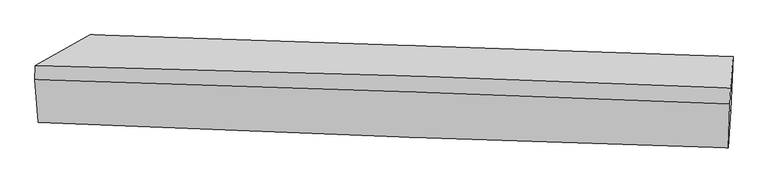
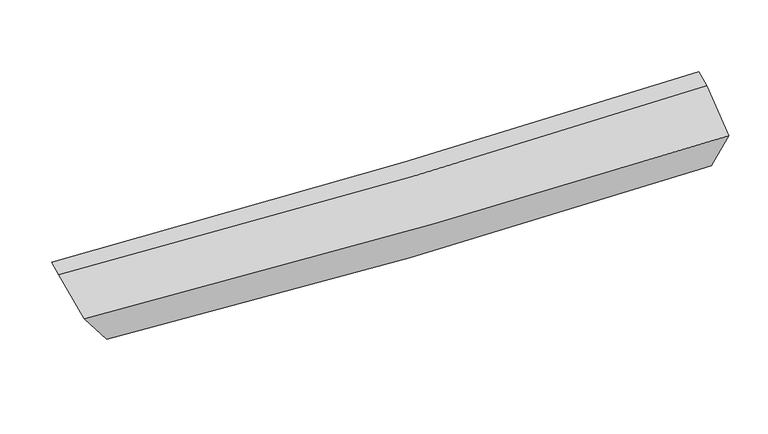
"""IFC4 building model written with IfcOpenShell, lengths in millimetres: proxy geometry."""

import ifcopenshell
import ifcopenshell.guid

model = None  # the IFC model being written
_history = None  # IfcOwnerHistory: only IFC2X3 demands one
_inside = {}  # id of a spatial element -> (the spatial element, [elements in it])
_under = {}  # id of a project, library or spatial element -> (it, [spatial elements below it])
_declared = {}  # id of a project -> (the project, [libraries it declares])
_typed = {}  # id of a type object -> (the type object, [elements of that type])
_made_of = {}  # id of a material, layer set ... -> (it, [elements and type objects made of it])


def new_model(schema):
    """Start an empty IFC model of exactly this schema.

    Asked for "IFC4X3", IfcOpenShell would pick the latest addendum, in which some entities
    have other attributes; the version numbers below select the first issue.
    IFC2X3 requires an IfcOwnerHistory on every rooted entity: one is made here for all.
    """
    global model, _history
    if schema == "IFC4X3":
        model = ifcopenshell.file(schema_version=(4, 3, 0, 0))
    else:
        model = ifcopenshell.file(schema=schema)
    _inside.clear()
    _under.clear()
    _declared.clear()
    _typed.clear()
    _made_of.clear()
    _history = None
    if model.schema == "IFC2X3":
        org = make("IfcOrganization", Name="unknown")
        user = make(
            "IfcPersonAndOrganization",
            ThePerson=make("IfcPerson", FamilyName="unknown"),
            TheOrganization=org,
        )
        app = make(
            "IfcApplication",
            ApplicationDeveloper=org,
            Version="unknown",
            ApplicationFullName="unknown",
            ApplicationIdentifier="unknown",
        )
        _history = make(
            "IfcOwnerHistory",
            OwningUser=user,
            OwningApplication=app,
            ChangeAction="ADDED",
            CreationDate=0,
        )
    return model


def make(cls, **values):
    """One entity of the class cls with the attributes given. An attribute that is None is left unset."""
    return model.create_entity(
        cls, **{name: value for name, value in values.items() if value is not None}
    )


def rooted(cls, **values):
    """An entity with a GlobalId (a new one), such as an element, a storey or a relation."""
    return make(cls, GlobalId=ifcopenshell.guid.new(), OwnerHistory=_history, **values)


def si_unit(unit_type, name, prefix=None):
    """IfcSIUnit, for example si_unit("LENGTHUNIT", "METRE", prefix="MILLI")."""
    return make("IfcSIUnit", UnitType=unit_type, Prefix=prefix, Name=name)


def assignment(units):
    """IfcUnitAssignment: the units of a project."""
    return None if units is None else make("IfcUnitAssignment", Units=units)


def point(xyz):
    """IfcCartesianPoint."""
    return None if xyz is None else make("IfcCartesianPoint", Coordinates=xyz)


def direction(xyz):
    """IfcDirection."""
    return None if xyz is None else make("IfcDirection", DirectionRatios=xyz)


def frame(location, z_axis=None, x_axis=None):
    """IfcAxis2Placement3D, a coordinate frame: its origin and axes. An axis left out is left unset."""
    return make(
        "IfcAxis2Placement3D",
        Location=point(location),
        Axis=direction(z_axis),
        RefDirection=direction(x_axis),
    )


def origin():
    """The frame at (0, 0, 0) with its axes left unset."""
    return frame((0.0, 0.0, 0.0))


def place(relative_to, where):
    """IfcLocalPlacement: puts the frame where relative to a parent placement (None: the world)."""
    return make(
        "IfcLocalPlacement", PlacementRelTo=relative_to, RelativePlacement=where
    )


def context(
    kind, dimensions, precision=None, world=None, true_north=None, identifier=None
):
    """IfcGeometricRepresentationContext, for example the 3D "Model" context."""
    return make(
        "IfcGeometricRepresentationContext",
        ContextIdentifier=identifier,
        ContextType=kind,
        CoordinateSpaceDimension=dimensions,
        Precision=precision,
        WorldCoordinateSystem=world,
        TrueNorth=true_north,
    )


def project(units=None, contexts=None):
    """IfcProject with its units and contexts."""
    return rooted(
        "IfcProject",
        Name="project",
        RepresentationContexts=contexts,
        UnitsInContext=assignment(units),
    )


def spatial(cls, under=None, at=None, **own):
    """A site, building, storey or space (cls), placed at a placement, below another one or the project."""
    s = rooted(cls, ObjectPlacement=at, **own)
    if under is not None:
        _under.setdefault(under.id(), (under, []))[1].append(s)
    return s


def shape(context_of_items, identifier, shape_type, items):
    """IfcShapeRepresentation: the items that make up one representation, for example the "Body"."""
    return make(
        "IfcShapeRepresentation",
        ContextOfItems=context_of_items,
        RepresentationIdentifier=identifier,
        RepresentationType=shape_type,
        Items=items,
    )


def source(mapping_origin, context_of_items, identifier, shape_type, items):
    """IfcRepresentationMap: a shape defined once, which mapped items show again and again."""
    return make(
        "IfcRepresentationMap",
        MappingOrigin=mapping_origin,
        MappedRepresentation=shape(context_of_items, identifier, shape_type, items),
    )


def transform(
    local_origin,
    x_axis=None,
    y_axis=None,
    z_axis=None,
    scale=None,
    scale2=None,
    scale3=None,
    uniform=True,
):
    """IfcCartesianTransformationOperator3D, or its non-uniform kind. x_axis, y_axis, z_axis: its Axis1, 2, 3."""
    if uniform:
        return make(
            "IfcCartesianTransformationOperator3D",
            Axis1=direction(x_axis),
            Axis2=direction(y_axis),
            LocalOrigin=point(local_origin),
            Scale=scale,
            Axis3=direction(z_axis),
        )
    return make(
        "IfcCartesianTransformationOperator3DnonUniform",
        Axis1=direction(x_axis),
        Axis2=direction(y_axis),
        LocalOrigin=point(local_origin),
        Scale=scale,
        Axis3=direction(z_axis),
        Scale2=scale2,
        Scale3=scale3,
    )


def mapped(mapping_source, mapping_target):
    """IfcMappedItem: shows the shape of a source again, moved by a transform."""
    return make(
        "IfcMappedItem", MappingSource=mapping_source, MappingTarget=mapping_target
    )


def made_of(thing, what):
    """Note that an element or type object is made of a material, layer set ...; save() writes the relation."""
    if what is not None:
        _made_of.setdefault(what.id(), (what, []))[1].append(thing)
    return thing


def element(
    cls,
    number,
    at=None,
    inside=None,
    cuts=None,
    type_object=None,
    material=None,
    context=None,
    identifier="Body",
    shape_type=None,
    held_by="IfcProductDefinitionShape",
    body=None,
    shapes=None,
    **own,
):
    """One element of the class cls, such as IfcWall. Its Tag is "e" and its number.

    at: its placement. inside: the storey or other place that contains it. cuts: it is an
    opening in that element (IfcRelVoidsElement). A single representation is given by context,
    identifier, shape_type and body (its items); several are given by shapes. held_by: the class
    of the entity that holds the representations. save() writes the other relations.
    """
    e = rooted(cls, Tag="e%d" % number, ObjectPlacement=at, **own)
    if body is not None:
        shapes = [shape(context, identifier, shape_type, body)]
    if shapes is not None:
        e.Representation = make(held_by, Representations=shapes)
    if inside is not None:
        _inside.setdefault(inside.id(), (inside, []))[1].append(e)
    if cuts is not None:
        rooted(
            "IfcRelVoidsElement", RelatingBuildingElement=cuts, RelatedOpeningElement=e
        )
    if type_object is not None:
        _typed.setdefault(type_object.id(), (type_object, []))[1].append(e)
    return made_of(e, material)


def aggregate(whole, parts):
    """IfcRelAggregates: a whole, such as a stair, and the parts it consists of."""
    return rooted("IfcRelAggregates", RelatingObject=whole, RelatedObjects=parts)


def save(model, path):
    """Write the relations noted so far, then the file.

    IfcRelAggregates (storeys below a building ...), IfcRelContainedInSpatialStructure (elements
    in a storey), IfcRelDefinesByType, IfcRelAssociatesMaterial and IfcRelDeclares: one each for
    every whole, place, type object, material and project.
    """
    for whole, parts in _under.values():
        aggregate(whole, parts)
    for where, things in _inside.values():
        rooted(
            "IfcRelContainedInSpatialStructure",
            RelatedElements=things,
            RelatingStructure=where,
        )
    for kind, things in _typed.values():
        rooted("IfcRelDefinesByType", RelatedObjects=things, RelatingType=kind)
    for what, things in _made_of.values():
        rooted("IfcRelAssociatesMaterial", RelatedObjects=things, RelatingMaterial=what)
    for by, libraries in _declared.values():
        rooted("IfcRelDeclares", RelatingContext=by, RelatedDefinitions=libraries)
    model.write(path)


def plane_surface(at):
    """IfcPlane: the flat surface through the origin of the frame at, square to its z axis."""
    return make("IfcPlane", Position=at)


def spline_curve(degree, points, multiplicities, knots, weights=None):
    """IfcBSplineCurveWithKnots; with weights, IfcRationalBSplineCurveWithKnots."""
    own = dict(
        Degree=degree,
        ControlPointsList=[point(p) for p in points],
        CurveForm="UNSPECIFIED",
        ClosedCurve=False,
        SelfIntersect=False,
        KnotMultiplicities=multiplicities,
        Knots=knots,
        KnotSpec="UNSPECIFIED",
    )
    if weights is None:
        return make("IfcBSplineCurveWithKnots", **own)
    return make("IfcRationalBSplineCurveWithKnots", WeightsData=weights, **own)


def spline_surface(u_degree, v_degree, points, u_multiplicities, v_multiplicities, u_knots, v_knots, weights=None):
    """IfcBSplineSurfaceWithKnots; with weights, IfcRationalBSplineSurfaceWithKnots. points: one row for each step in u."""
    own = dict(
        UDegree=u_degree,
        VDegree=v_degree,
        ControlPointsList=[[point(p) for p in row] for row in points],
        SurfaceForm="UNSPECIFIED",
        UClosed=False,
        VClosed=False,
        SelfIntersect=False,
        UMultiplicities=u_multiplicities,
        VMultiplicities=v_multiplicities,
        UKnots=u_knots,
        VKnots=v_knots,
        KnotSpec="UNSPECIFIED",
    )
    if weights is None:
        return make("IfcBSplineSurfaceWithKnots", **own)
    return make("IfcRationalBSplineSurfaceWithKnots", WeightsData=weights, **own)


def advanced_brep(points, edges, surfaces, faces):
    """IfcAdvancedBrep: a solid bounded by faces that lie on surfaces and meet in shared edges.

    An edge is (start, end): straight between two places in points (the first is 0);
    or (start, end, curve); or (start, end, curve, False) where it runs against its curve.
    A face is (place in surfaces, loops), or (place, loops, False) where it looks against
    its surface's normal. A loop lists edges by number (the first is 1), with a minus sign
    where the edge is run from its end to its start. The first loop is the outer one.
    """
    corners = [point(p) for p in points]
    vertices = [make("IfcVertexPoint", VertexGeometry=c) for c in corners]
    made = []
    for start, end, *more in edges:
        made.append(
            make(
                "IfcEdgeCurve",
                EdgeStart=vertices[start],
                EdgeEnd=vertices[end],
                EdgeGeometry=more[0] if more else make("IfcPolyline", Points=[corners[start], corners[end]]),
                SameSense=more[1] if len(more) > 1 else True,
            )
        )
    hull = []
    for where, loops, *sense in faces:
        bounds = []
        for j, loop in enumerate(loops):
            ring = [make("IfcOrientedEdge", EdgeElement=made[abs(k) - 1], Orientation=k > 0) for k in loop]
            bounds.append(
                make(
                    "IfcFaceOuterBound" if j == 0 else "IfcFaceBound",
                    Bound=make("IfcEdgeLoop", EdgeList=ring),
                    Orientation=True,
                )
            )
        hull.append(make("IfcAdvancedFace", Bounds=bounds, FaceSurface=surfaces[where], SameSense=sense[0] if sense else True))
    return make("IfcAdvancedBrep", Outer=make("IfcClosedShell", CfsFaces=hull))


def generic_models_f0dd5eea(model_context):
    return source(origin(), model_context, "Body", "AdvancedBrep", [
        advanced_brep(
        [(-2607.7585672, -1969.9333759, 3475.3136277), (-2580.8041618, -2329.3116171, 3260.2159681), (3166.8400756, -2542.9510496, 3138.0148432), (3179.3136658, -2174.1054466, 3390.9891971), (-2178.0958322, -1986.9697268, 2714.1133848), (3187.8206123, -2229.3150078, 2650.5804882), (-2146.1355577, -1597.3756863, 2840.0394315), (3205.4241805, -1780.2058212, 2795.0140918), (-2603.3134898, -1853.0609952, 3522.1049425), (3184.4302672, -2039.5769915, 3444.8493414)],
        [
            (0, 1),
            (1, 2, spline_curve(3, [(-2580.8041618, -2329.3116171, 3260.2159681), (-1514.752276646, -2374.699013029, 3214.035449074), (-478.119182948, -2415.954380873, 3180.88013095), (1431.983533261, -2486.355876195, 3142.704946828), (2311.231851883, -2516.313652323, 3135.126556574), (3166.8400756, -2542.9510496, 3138.0148432)], [4, 2, 4], [0.0, 9.986809261356214, 18.939198391063325])),
            (2, 3),
            (3, 0, spline_curve(3, [(3179.3136658, -2174.1054466, 3390.9891971), (2332.375252631, -2140.946887068, 3371.698895772), (1454.762047633, -2108.25556286, 3367.807340695), (-466.763739395, -2040.083992745, 3392.151341867), (-1518.174611917, -2004.717960194, 3424.151040736), (-2607.7585672, -1969.9333759, 3475.3136277)], [4, 2, 4], [0.0, 8.952389129707111, 18.939198391063325])),
            (1, 4),
            (4, 5, spline_curve(3, [(-2178.0958322, -1986.9697268, 2714.1133848), (-1333.233935366, -2021.955779766, 2663.493185797), (-436.53577365, -2060.955125292, 2633.676930434), (1362.285174082, -2142.525211853, 2616.585790916), (2254.225826994, -2184.307626339, 2625.22441389), (3187.8206123, -2229.3150078, 2650.5804882)], [4, 2, 4], [0.0, 9.62426841620798, 18.25166818882997])),
            (5, 2),
            (4, 6),
            (6, 7, spline_curve(3, [(-2146.1355577, -1597.3756863, 2840.0394315), (-1309.481875624, -1625.53587505, 2822.441492745), (-417.994313324, -1655.792539409, 2809.949935472), (1376.629882907, -1717.147726066, 2795.944528692), (2268.995566839, -1747.834439705, 2793.427639689), (3205.4241805, -1780.2058212, 2795.0140918)], [4, 2, 4], [0.0, 9.279335197297264, 17.597529465073976])),
            (7, 5),
            (6, 8),
            (8, 9, spline_curve(3, [(-2603.3134898, -1853.0609952, 3522.1049425), (-1513.387659574, -1878.85681921, 3474.54111787), (-461.752945695, -1908.337493679, 3444.897695632), (1459.973497505, -1971.233302951, 3422.66591081), (2337.58670233, -2003.924627494, 3426.557465973), (3184.4302672, -2039.5769915, 3444.8493414)], [4, 2, 4], [0.0, 9.642200866285698, 18.28567567017578])),
            (9, 7),
            (8, 0),
            (3, 9),
        ],
        [
            spline_surface(3, 3, [[(-2607.7585672, -1969.9333759, 3475.3136277), (-1518.174611985, -2004.717960272, 3424.151040701), (-466.76373931, -2040.083992798, 3392.15134198), (1454.762047557, -2108.255562812, 3367.807340595), (2332.375252582, -2140.946887207, 3371.698895772), (3179.3136658, -2174.1054466, 3390.9891971)], [(-2598.773765428, -2089.726122953, 3403.614407829), (-1517.033833567, -2128.044977822, 3354.112510197), (-470.548887187, -2165.37412218, 3321.727605004), (1447.169209436, -2234.289000555, 3292.77320927), (2325.327452361, -2266.069142205, 3292.841449326), (3175.155802389, -2297.053980918, 3306.66441245)], [(-2589.788963572, -2209.518870047, 3331.915187971), (-1515.893055065, -2251.371995411, 3284.073979706), (-474.334035032, -2290.664251611, 3251.30386809), (1439.576371347, -2360.322438345, 3217.739078006), (2318.279652173, -2391.19139725, 3213.984002929), (3170.997939011, -2420.002515282, 3222.33962785)], [(-2580.8041618, -2329.3116171, 3260.2159681), (-1514.752276647, -2374.699012961, 3214.035449202), (-478.119182908, -2415.954380993, 3180.880131115), (1431.983533225, -2486.355876088, 3142.704946681), (2311.231851952, -2516.313652248, 3135.126556483), (3166.8400756, -2542.9510496, 3138.0148432)]], [4, 4], [4, 2, 4], [0.0, 1.4284412901744237], [0.0, 9.986809261356214, 18.939198391063325]),
            spline_surface(3, 3, [[(-2580.8041618, -2329.3116171, 3260.2159681), (-1514.752276647, -2374.699012961, 3214.035449202), (-478.119182908, -2415.954380993, 3180.880131115), (1431.983533225, -2486.355876088, 3142.704946681), (2311.231851952, -2516.313652248, 3135.126556483), (3166.8400756, -2542.9510496, 3138.0148432)], [(-2446.568051935, -2215.197653676, 3078.181773681), (-1454.246162908, -2257.117935211, 3030.521361362), (-464.25804643, -2297.621295816, 2998.47906424), (1408.750746816, -2371.745654684, 2967.331894763), (2292.229843594, -2405.644976996, 2965.159175632), (3173.833587834, -2438.405702353, 2975.536724878)], [(-2312.331942065, -2101.083690224, 2896.147579219), (-1393.740049163, -2139.536857433, 2847.007273478), (-450.396909991, -2179.288210547, 2816.077997333), (1385.517960369, -2257.135433187, 2791.958842812), (2273.227835235, -2294.976301684, 2795.191794748), (3180.827100066, -2333.860355047, 2813.058606522)], [(-2178.0958322, -1986.9697268, 2714.1133848), (-1333.233935423, -2021.955779682, 2663.493185638), (-436.535773513, -2060.95512537, 2633.676930458), (1362.28517396, -2142.525211783, 2616.585790895), (2254.225826877, -2184.307626432, 2625.224413897), (3187.8206123, -2229.3150078, 2650.5804882)]], [4, 4], [4, 2, 4], [0.0, 2.1051145406914227], [0.0, 9.62426841620798, 18.25166818882997]),
            spline_surface(3, 3, [[(-2178.0958322, -1986.9697268, 2714.1133848), (-1333.233935423, -2021.955779682, 2663.493185638), (-436.535773513, -2060.95512537, 2633.676930458), (1362.28517396, -2142.525211783, 2616.585790895), (2254.225826877, -2184.307626432, 2625.224413897), (3187.8206123, -2229.3150078, 2650.5804882)], [(-2167.442407356, -1857.105046641, 2756.088733698), (-1325.316582197, -1889.815811462, 2716.475954721), (-430.355286836, -1925.900930091, 2692.434598751), (1367.066743652, -2000.732716502, 2676.372036861), (2259.149073532, -2038.816564195, 2681.292155867), (3193.688468388, -2079.611945597, 2698.72502274)], [(-2156.788982544, -1727.240366459, 2798.064082602), (-1317.399229004, -1757.675843219, 2769.458723807), (-424.174800152, -1790.846734819, 2751.192267053), (1371.84831335, -1858.940221229, 2736.158282838), (2264.072320123, -1893.325501968, 2737.359897818), (3199.556324412, -1929.908883403, 2746.86955726)], [(-2146.1355577, -1597.3756863, 2840.0394315), (-1309.481875778, -1625.535874998, 2822.441492889), (-417.994313475, -1655.792539539, 2809.949935346), (1376.629883042, -1717.147725948, 2795.944528805), (2268.995566779, -1747.834439731, 2793.427639788), (3205.4241805, -1780.2058212, 2795.0140918)]], [4, 4], [4, 2, 4], [0.0, 1.4794321233551473], [0.0, 9.279335197297264, 17.597529465073976]),
            spline_surface(3, 3, [[(-2146.1355577, -1597.3756863, 2840.0394315), (-1309.481875778, -1625.535874998, 2822.441492889), (-417.994313475, -1655.792539539, 2809.949935346), (1376.629883042, -1717.147725948, 2795.944528805), (2268.995566779, -1747.834439731, 2793.427639788), (3205.4241805, -1780.2058212, 2795.0140918)], [(-2298.528201727, -1682.604122571, 3067.394601829), (-1377.450470404, -1709.976189736, 3039.808034504), (-432.58052421, -1739.974190889, 3021.599188757), (1404.411087814, -1801.842918258, 3004.85165613), (2291.859278636, -1833.197835589, 3004.470915164), (3198.426209399, -1866.66287795, 3011.625841673)], [(-2450.920845773, -1767.832558929, 3294.749772171), (-1445.419065048, -1794.416504562, 3257.174576133), (-447.166734875, -1824.155842321, 3233.248442209), (1432.192292657, -1886.538110649, 3213.758783495), (2314.722990497, -1918.561231496, 3215.514190522), (3191.428238301, -1953.11993475, 3228.237591527)], [(-2603.3134898, -1853.0609952, 3522.1049425), (-1513.387659674, -1878.8568193, 3474.541117747), (-461.75294561, -1908.33749367, 3444.897695621), (1459.973497429, -1971.233302959, 3422.665910821), (2337.586702354, -2003.924627354, 3426.557465898), (3184.4302672, -2039.5769915, 3444.8493414)]], [4, 4], [4, 2, 4], [0.0, 2.232245553538698], [0.0, 9.642200866285698, 18.28567567017578]),
            spline_surface(3, 3, [[(-2603.3134898, -1853.0609952, 3522.1049425), (-1513.387659674, -1878.8568193, 3474.541117747), (-461.75294561, -1908.33749367, 3444.897695621), (1459.973497429, -1971.233302959, 3422.665910821), (2337.586702354, -2003.924627354, 3426.557465898), (3184.4302672, -2039.5769915, 3444.8493414)], [(-2604.795182254, -1892.01845546, 3506.507837562), (-1514.983310432, -1920.810532984, 3457.744425394), (-463.423210154, -1952.252993394, 3427.315577766), (1458.236347495, -2016.907389592, 3404.379720772), (2335.84955242, -2049.598713986, 3408.271275849), (3182.72473339, -2084.419809881, 3426.89595996)], [(-2606.276874746, -1930.97591564, 3490.910732638), (-1516.578961227, -1962.764246588, 3440.947733054), (-465.093474767, -1996.168493074, 3409.733459834), (1456.499197491, -2062.58147618, 3386.093530644), (2334.112402516, -2095.272800575, 3389.985085821), (3181.01919961, -2129.262628219, 3408.94257854)], [(-2607.7585672, -1969.9333759, 3475.3136277), (-1518.174611985, -2004.717960272, 3424.151040701), (-466.76373931, -2040.083992798, 3392.15134198), (1454.762047557, -2108.255562812, 3367.807340595), (2332.375252582, -2140.946887207, 3371.698895772), (3179.3136658, -2174.1054466, 3390.9891971)]], [4, 4], [4, 2, 4], [0.0, 0.4741050333558464], [0.0, 10.020444382850307, 19.00298475387583]),
            plane_surface(frame((3184.7657603, -2153.2308633, 3083.8895923), z_axis=(0.9989271023839553, -0.043898356330658764, 0.014750540134573133), x_axis=(-0.0299913047192289, -0.37053024321526407, 0.9283360708838561))),
            plane_surface(frame((-2423.2215217, -1947.3302803, 3162.3574709), z_axis=(-0.8462587580873719, 0.2254492924698461, -0.4827201372278403), x_axis=(0.03528690641061616, 0.9277824492704648, 0.3714492711820363))),
        ],
        [
            (0, [[1, 2, 3, 4]]),
            (1, [[5, 6, 7, -2]]),
            (2, [[8, 9, 10, -6]]),
            (3, [[11, 12, 13, -9]]),
            (4, [[14, -4, 15, -12]]),
            (5, [[-13, -15, -3, -7, -10]]),
            (6, [[-14, -11, -8, -5, -1]]),
        ],
    ),
    ])


if __name__ == "__main__":
    model = new_model("IFC4")
    model_context = context("Model", 3, world=origin())
    ifc_project = project(units=[si_unit("LENGTHUNIT", "METRE", prefix="MILLI")], contexts=[model_context])
    site = spatial("IfcSite", under=ifc_project)
    building = spatial("IfcBuilding", under=site)
    placement = place(None, origin())
    generic_models_shape = generic_models_f0dd5eea(model_context)
    element("IfcBuildingElementProxy", 1, Name="Generic Models", at=placement, inside=building, context=model_context, shape_type="MappedRepresentation", body=[
        mapped(generic_models_shape, transform((0.0, 0.0, 0.0), x_axis=(1.0, 0.0, 0.0), y_axis=(0.0, 1.0, 0.0), z_axis=(0.0, 0.0, 1.0))),
    ])
    save(model, "model.ifc")
